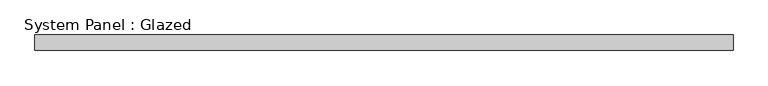
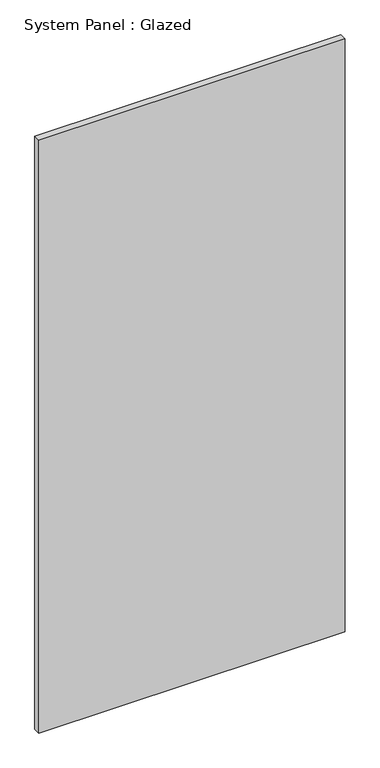
"""IFC4 building model written with IfcOpenShell, lengths in millimetres: plate geometry, System Panel : Glazed."""

import ifcopenshell
import ifcopenshell.guid

model = None  # the IFC model being written
_history = None  # IfcOwnerHistory: only IFC2X3 demands one
_inside = {}  # id of a spatial element -> (the spatial element, [elements in it])
_under = {}  # id of a project, library or spatial element -> (it, [spatial elements below it])
_declared = {}  # id of a project -> (the project, [libraries it declares])
_typed = {}  # id of a type object -> (the type object, [elements of that type])
_made_of = {}  # id of a material, layer set ... -> (it, [elements and type objects made of it])


def new_model(schema):
    """Start an empty IFC model of exactly this schema.

    Asked for "IFC4X3", IfcOpenShell would pick the latest addendum, in which some entities
    have other attributes; the version numbers below select the first issue.
    IFC2X3 requires an IfcOwnerHistory on every rooted entity: one is made here for all.
    """
    global model, _history
    if schema == "IFC4X3":
        model = ifcopenshell.file(schema_version=(4, 3, 0, 0))
    else:
        model = ifcopenshell.file(schema=schema)
    _inside.clear()
    _under.clear()
    _declared.clear()
    _typed.clear()
    _made_of.clear()
    _history = None
    if model.schema == "IFC2X3":
        org = make("IfcOrganization", Name="unknown")
        user = make(
            "IfcPersonAndOrganization",
            ThePerson=make("IfcPerson", FamilyName="unknown"),
            TheOrganization=org,
        )
        app = make(
            "IfcApplication",
            ApplicationDeveloper=org,
            Version="unknown",
            ApplicationFullName="unknown",
            ApplicationIdentifier="unknown",
        )
        _history = make(
            "IfcOwnerHistory",
            OwningUser=user,
            OwningApplication=app,
            ChangeAction="ADDED",
            CreationDate=0,
        )
    return model


def make(cls, **values):
    """One entity of the class cls with the attributes given. An attribute that is None is left unset."""
    return model.create_entity(
        cls, **{name: value for name, value in values.items() if value is not None}
    )


def rooted(cls, **values):
    """An entity with a GlobalId (a new one), such as an element, a storey or a relation."""
    return make(cls, GlobalId=ifcopenshell.guid.new(), OwnerHistory=_history, **values)


def si_unit(unit_type, name, prefix=None):
    """IfcSIUnit, for example si_unit("LENGTHUNIT", "METRE", prefix="MILLI")."""
    return make("IfcSIUnit", UnitType=unit_type, Prefix=prefix, Name=name)


def assignment(units):
    """IfcUnitAssignment: the units of a project."""
    return None if units is None else make("IfcUnitAssignment", Units=units)


def point(xyz):
    """IfcCartesianPoint."""
    return None if xyz is None else make("IfcCartesianPoint", Coordinates=xyz)


def direction(xyz):
    """IfcDirection."""
    return None if xyz is None else make("IfcDirection", DirectionRatios=xyz)


def frame(location, z_axis=None, x_axis=None):
    """IfcAxis2Placement3D, a coordinate frame: its origin and axes. An axis left out is left unset."""
    return make(
        "IfcAxis2Placement3D",
        Location=point(location),
        Axis=direction(z_axis),
        RefDirection=direction(x_axis),
    )


def origin():
    """The frame at (0, 0, 0) with its axes left unset."""
    return frame((0.0, 0.0, 0.0))


def origin_with_axes():
    """The frame at (0, 0, 0) with the z axis (0, 0, 1) and the x axis (1, 0, 0) written out."""
    return frame((0.0, 0.0, 0.0), z_axis=(0.0, 0.0, 1.0), x_axis=(1.0, 0.0, 0.0))


def place(relative_to, where):
    """IfcLocalPlacement: puts the frame where relative to a parent placement (None: the world)."""
    return make(
        "IfcLocalPlacement", PlacementRelTo=relative_to, RelativePlacement=where
    )


def context(
    kind, dimensions, precision=None, world=None, true_north=None, identifier=None
):
    """IfcGeometricRepresentationContext, for example the 3D "Model" context."""
    return make(
        "IfcGeometricRepresentationContext",
        ContextIdentifier=identifier,
        ContextType=kind,
        CoordinateSpaceDimension=dimensions,
        Precision=precision,
        WorldCoordinateSystem=world,
        TrueNorth=true_north,
    )


def project(units=None, contexts=None):
    """IfcProject with its units and contexts."""
    return rooted(
        "IfcProject",
        Name="project",
        RepresentationContexts=contexts,
        UnitsInContext=assignment(units),
    )


def spatial(cls, under=None, at=None, **own):
    """A site, building, storey or space (cls), placed at a placement, below another one or the project."""
    s = rooted(cls, ObjectPlacement=at, **own)
    if under is not None:
        _under.setdefault(under.id(), (under, []))[1].append(s)
    return s


def polyline(points):
    """IfcPolyline through the points."""
    return make("IfcPolyline", Points=[point(p) for p in points])


def outline(outer, holes=None, kind="AREA"):
    """IfcArbitraryClosedProfileDef: a profile drawn as a closed curve; with holes, ...WithVoids."""
    if holes is None:
        return make("IfcArbitraryClosedProfileDef", ProfileType=kind, OuterCurve=outer)
    return make(
        "IfcArbitraryProfileDefWithVoids",
        ProfileType=kind,
        OuterCurve=outer,
        InnerCurves=holes,
    )


def extrude(swept, where, along, depth):
    """IfcExtrudedAreaSolid: the profile swept, set in the frame where, extruded along a direction by depth."""
    return make(
        "IfcExtrudedAreaSolid",
        SweptArea=swept,
        Position=where,
        ExtrudedDirection=direction(along),
        Depth=depth,
    )


def shape(context_of_items, identifier, shape_type, items):
    """IfcShapeRepresentation: the items that make up one representation, for example the "Body"."""
    return make(
        "IfcShapeRepresentation",
        ContextOfItems=context_of_items,
        RepresentationIdentifier=identifier,
        RepresentationType=shape_type,
        Items=items,
    )


def source(mapping_origin, context_of_items, identifier, shape_type, items):
    """IfcRepresentationMap: a shape defined once, which mapped items show again and again."""
    return make(
        "IfcRepresentationMap",
        MappingOrigin=mapping_origin,
        MappedRepresentation=shape(context_of_items, identifier, shape_type, items),
    )


def transform(
    local_origin,
    x_axis=None,
    y_axis=None,
    z_axis=None,
    scale=None,
    scale2=None,
    scale3=None,
    uniform=True,
):
    """IfcCartesianTransformationOperator3D, or its non-uniform kind. x_axis, y_axis, z_axis: its Axis1, 2, 3."""
    if uniform:
        return make(
            "IfcCartesianTransformationOperator3D",
            Axis1=direction(x_axis),
            Axis2=direction(y_axis),
            LocalOrigin=point(local_origin),
            Scale=scale,
            Axis3=direction(z_axis),
        )
    return make(
        "IfcCartesianTransformationOperator3DnonUniform",
        Axis1=direction(x_axis),
        Axis2=direction(y_axis),
        LocalOrigin=point(local_origin),
        Scale=scale,
        Axis3=direction(z_axis),
        Scale2=scale2,
        Scale3=scale3,
    )


def mapped(mapping_source, mapping_target):
    """IfcMappedItem: shows the shape of a source again, moved by a transform."""
    return make(
        "IfcMappedItem", MappingSource=mapping_source, MappingTarget=mapping_target
    )


def made_of(thing, what):
    """Note that an element or type object is made of a material, layer set ...; save() writes the relation."""
    if what is not None:
        _made_of.setdefault(what.id(), (what, []))[1].append(thing)
    return thing


def element(
    cls,
    number,
    at=None,
    inside=None,
    cuts=None,
    type_object=None,
    material=None,
    context=None,
    identifier="Body",
    shape_type=None,
    held_by="IfcProductDefinitionShape",
    body=None,
    shapes=None,
    **own,
):
    """One element of the class cls, such as IfcWall. Its Tag is "e" and its number.

    at: its placement. inside: the storey or other place that contains it. cuts: it is an
    opening in that element (IfcRelVoidsElement). A single representation is given by context,
    identifier, shape_type and body (its items); several are given by shapes. held_by: the class
    of the entity that holds the representations. save() writes the other relations.
    """
    e = rooted(cls, Tag="e%d" % number, ObjectPlacement=at, **own)
    if body is not None:
        shapes = [shape(context, identifier, shape_type, body)]
    if shapes is not None:
        e.Representation = make(held_by, Representations=shapes)
    if inside is not None:
        _inside.setdefault(inside.id(), (inside, []))[1].append(e)
    if cuts is not None:
        rooted(
            "IfcRelVoidsElement", RelatingBuildingElement=cuts, RelatedOpeningElement=e
        )
    if type_object is not None:
        _typed.setdefault(type_object.id(), (type_object, []))[1].append(e)
    return made_of(e, material)


def aggregate(whole, parts):
    """IfcRelAggregates: a whole, such as a stair, and the parts it consists of."""
    return rooted("IfcRelAggregates", RelatingObject=whole, RelatedObjects=parts)


def save(model, path):
    """Write the relations noted so far, then the file.

    IfcRelAggregates (storeys below a building ...), IfcRelContainedInSpatialStructure (elements
    in a storey), IfcRelDefinesByType, IfcRelAssociatesMaterial and IfcRelDeclares: one each for
    every whole, place, type object, material and project.
    """
    for whole, parts in _under.values():
        aggregate(whole, parts)
    for where, things in _inside.values():
        rooted(
            "IfcRelContainedInSpatialStructure",
            RelatedElements=things,
            RelatingStructure=where,
        )
    for kind, things in _typed.values():
        rooted("IfcRelDefinesByType", RelatedObjects=things, RelatingType=kind)
    for what, things in _made_of.values():
        rooted("IfcRelAssociatesMaterial", RelatedObjects=things, RelatingMaterial=what)
    for by, libraries in _declared.values():
        rooted("IfcRelDeclares", RelatingContext=by, RelatedDefinitions=libraries)
    model.write(path)


def system_panel_glazed_0d5b07ca(model_context):
    return source(origin(), model_context, "Body", "SweptSolid", [
        extrude(outline(polyline([(571.5, 19.05), (-571.5, 19.05), (-571.5, 44.45), (571.5, 44.45), (571.5, 19.05)])), origin_with_axes(), (0.0, 0.0, 1.0), 2338.1426667),
    ])


if __name__ == "__main__":
    model = new_model("IFC4")
    model_context = context("Model", 3, world=origin())
    ifc_project = project(units=[si_unit("LENGTHUNIT", "METRE", prefix="MILLI")], contexts=[model_context])
    site = spatial("IfcSite", under=ifc_project)
    building = spatial("IfcBuilding", under=site)
    placement = place(None, origin())
    system_panel_glazed_shape = system_panel_glazed_0d5b07ca(model_context)
    element("IfcPlate", 1, ObjectType="System Panel : Glazed", at=placement, inside=building, context=model_context, shape_type="MappedRepresentation", body=[
        mapped(system_panel_glazed_shape, transform((0.0, 0.0, 0.0), x_axis=(1.0, 0.0, 0.0), y_axis=(0.0, 1.0, 0.0), z_axis=(0.0, 0.0, 1.0))),
    ])
    save(model, "model.ifc")
